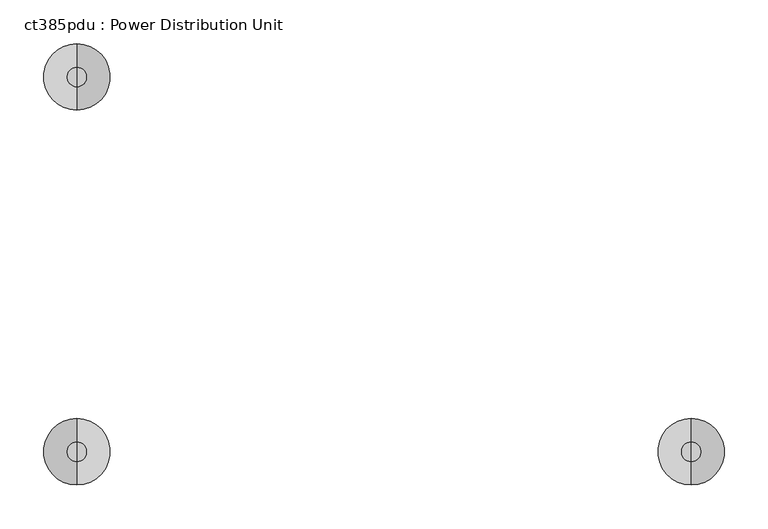
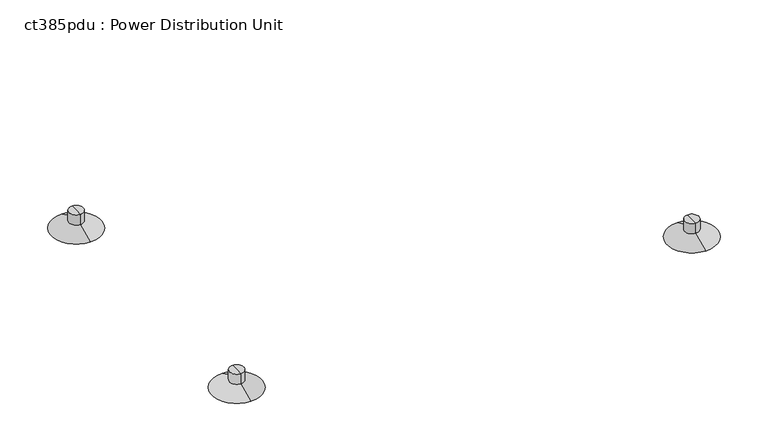
"""IFC4 building model written with IfcOpenShell, lengths in millimetres: proxy geometry, ct385pdu : Power Distribution Unit."""

from ifc_helpers import new_model, si_unit, frame, origin, place, context, project, spatial, polyline, circle_curve, source, transform, mapped, element, save
from ifc_brep_helpers import plane_surface, cylinder_surface, revolved_surface, advanced_brep


def ct385pdu_power_distribution_unit_bc988c1e(model_context):
    return source(origin(), model_context, "Body", "AdvancedBrep", [
        advanced_brep(
        [(745.5569365, -772.4014458, 29.0798949), (745.5569365, -783.4466317, 29.0798949), (745.5569365, -761.3562599, 29.0798949), (745.5569365, -783.4466317, 12.6661982), (745.5569365, -761.3562599, 12.6661982), (745.5569365, -810.2531246, 0.1661253), (745.5569365, -734.549767, 0.1661253), (745.5569365, -772.4014458, 0.1661253)],
        [
            (0, 1),
            (1, 2, circle_curve(frame((745.5569365, -772.4014458, 29.0798949), z_axis=(0.0, 0.0, 1.0), x_axis=(0.0, -1.0, 0.0)), 11.0451859)),
            (2, 0),
            (2, 1, circle_curve(frame((745.5569365, -772.4014458, 29.0798949), z_axis=(0.0, 0.0, 1.0), x_axis=(0.0, -1.0, 0.0)), 11.0451859)),
            (1, 3),
            (3, 4, circle_curve(frame((745.5569365, -772.4014458, 12.6661982), z_axis=(0.0, 0.0, 1.0), x_axis=(0.0, -1.0, 0.0)), 11.0451859)),
            (4, 2),
            (4, 3, circle_curve(frame((745.5569365, -772.4014458, 12.6661982), z_axis=(0.0, 0.0, 1.0), x_axis=(0.0, -1.0, 0.0)), 11.0451859)),
            (3, 5),
            (5, 6, circle_curve(frame((745.5569365, -772.4014458, 0.1661253), z_axis=(0.0, 0.0, 1.0), x_axis=(0.0, -1.0, 0.0)), 37.8516788)),
            (6, 4),
            (6, 5, circle_curve(frame((745.5569365, -772.4014458, 0.1661253), z_axis=(0.0, 0.0, 1.0), x_axis=(0.0, -1.0, 0.0)), 37.8516788)),
            (5, 7),
            (7, 6),
        ],
        [
            plane_surface(frame((745.5569365, -772.4014458, 29.0798949), z_axis=(0.0, 0.0, 1.0), x_axis=(0.0, -1.0, 0.0))),
            cylinder_surface(frame((745.5569365, -772.4014458, 29.0798949), z_axis=(0.0, 0.0, 1.0), x_axis=(0.0, -1.0, 0.0)), 11.0451859),
            revolved_surface(polyline([(745.5569365, -810.2531246, 0.1661253), (745.5569365, -783.4466317, 12.6661982)]), (745.5569365, -772.4014458, 29.0798949), (0.0, 0.0, 1.0)),
            plane_surface(frame((745.5569365, -772.4014458, 0.1661253), z_axis=(0.0, 0.0, -1.0), x_axis=(0.0, -1.0, 0.0))),
        ],
        [
            (0, [[1, 2, 3]]),
            (0, [[-3, 4, -1]]),
            (1, [[-2, 5, 6, 7]]),
            (1, [[-4, -7, 8, -5]]),
            (2, [[-6, 9, 10, 11]]),
            (2, [[-8, -11, 12, -9]]),
            (3, [[-10, 13, 14]]),
            (3, [[-12, -14, -13]]),
        ],
    ),
        advanced_brep(
        [(44.9449241, -344.5451811, 29.0798949), (44.9449241, -333.4999952, 29.0798949), (44.9449241, -355.590367, 29.0798949), (44.9449241, -333.4999952, 12.6661982), (44.9449241, -355.590367, 12.6661982), (44.9449241, -306.6935023, 0.1661253), (44.9449241, -382.3968599, 0.1661253), (44.9449241, -344.5451811, 0.1661253)],
        [
            (0, 1),
            (1, 2, circle_curve(frame((44.9449241, -344.5451811, 29.0798949), z_axis=(0.0, 0.0, 1.0), x_axis=(0.0, 1.0, 0.0)), 11.0451859)),
            (2, 0),
            (2, 1, circle_curve(frame((44.9449241, -344.5451811, 29.0798949), z_axis=(0.0, 0.0, 1.0), x_axis=(0.0, 1.0, 0.0)), 11.0451859)),
            (1, 3),
            (3, 4, circle_curve(frame((44.9449241, -344.5451811, 12.6661982), z_axis=(0.0, 0.0, 1.0), x_axis=(0.0, 1.0, 0.0)), 11.0451859)),
            (4, 2),
            (4, 3, circle_curve(frame((44.9449241, -344.5451811, 12.6661982), z_axis=(0.0, 0.0, 1.0), x_axis=(0.0, 1.0, 0.0)), 11.0451859)),
            (3, 5),
            (5, 6, circle_curve(frame((44.9449241, -344.5451811, 0.1661253), z_axis=(0.0, 0.0, 1.0), x_axis=(0.0, 1.0, 0.0)), 37.8516788)),
            (6, 4),
            (6, 5, circle_curve(frame((44.9449241, -344.5451811, 0.1661253), z_axis=(0.0, 0.0, 1.0), x_axis=(0.0, 1.0, 0.0)), 37.8516788)),
            (5, 7),
            (7, 6),
        ],
        [
            plane_surface(frame((44.9449241, -344.5451811, 29.0798949), z_axis=(0.0, 0.0, 1.0), x_axis=(0.0, 1.0, 0.0))),
            cylinder_surface(frame((44.9449241, -344.5451811, 29.0798949), z_axis=(0.0, 0.0, 1.0), x_axis=(0.0, 1.0, 0.0)), 11.0451859),
            revolved_surface(polyline([(44.9449241, -306.6935023, 0.1661253), (44.9449241, -333.4999952, 12.6661982)]), (44.9449241, -344.5451811, 29.0798949), (0.0, 0.0, 1.0)),
            plane_surface(frame((44.9449241, -344.5451811, 0.1661253), z_axis=(0.0, 0.0, -1.0), x_axis=(0.0, 1.0, 0.0))),
        ],
        [
            (0, [[1, 2, 3]]),
            (0, [[-3, 4, -1]]),
            (1, [[-2, 5, 6, 7]]),
            (1, [[-4, -7, 8, -5]]),
            (2, [[-6, 9, 10, 11]]),
            (2, [[-8, -11, 12, -9]]),
            (3, [[-10, 13, 14]]),
            (3, [[-12, -14, -13]]),
        ],
    ),
        advanced_brep(
        [(44.9449241, -761.3562599, 29.0798949), (44.9449241, -783.4466317, 29.0798949), (44.9449241, -772.4014458, 29.0798949), (44.9449241, -761.3562599, 12.6661982), (44.9449241, -783.4466317, 12.6661982), (44.9449241, -734.549767, 0.1661253), (44.9449241, -810.2531246, 0.1661253), (44.9449241, -772.4014458, 0.1661253)],
        [
            (0, 1, circle_curve(frame((44.9449241, -772.4014458, 29.0798949), z_axis=(0.0, 0.0, 1.0), x_axis=(0.0, -1.0, 0.0)), 11.0451859)),
            (1, 2),
            (2, 0),
            (1, 0, circle_curve(frame((44.9449241, -772.4014458, 29.0798949), z_axis=(0.0, 0.0, 1.0), x_axis=(0.0, -1.0, 0.0)), 11.0451859)),
            (3, 4, circle_curve(frame((44.9449241, -772.4014458, 12.6661982), z_axis=(0.0, 0.0, 1.0), x_axis=(0.0, -1.0, 0.0)), 11.0451859)),
            (4, 1),
            (0, 3),
            (4, 3, circle_curve(frame((44.9449241, -772.4014458, 12.6661982), z_axis=(0.0, 0.0, 1.0), x_axis=(0.0, -1.0, 0.0)), 11.0451859)),
            (5, 6, circle_curve(frame((44.9449241, -772.4014458, 0.1661253), z_axis=(0.0, 0.0, 1.0), x_axis=(0.0, -1.0, 0.0)), 37.8516788)),
            (6, 4),
            (3, 5),
            (6, 5, circle_curve(frame((44.9449241, -772.4014458, 0.1661253), z_axis=(0.0, 0.0, 1.0), x_axis=(0.0, -1.0, 0.0)), 37.8516788)),
            (7, 6),
            (5, 7),
        ],
        [
            plane_surface(frame((44.9449241, -772.4014458, 29.0798949), z_axis=(0.0, 0.0, 1.0), x_axis=(0.0, -1.0, 0.0))),
            cylinder_surface(frame((44.9449241, -772.4014458, 29.0798949), z_axis=(0.0, 0.0, -1.0), x_axis=(0.0, -1.0, 0.0)), 11.0451859),
            revolved_surface(polyline([(44.9449241, -783.4466317, 12.6661982), (44.9449241, -810.2531246, 0.1661253)]), (44.9449241, -772.4014458, 29.0798949), (0.0, 0.0, -1.0)),
            plane_surface(frame((44.9449241, -772.4014458, 0.1661253), z_axis=(0.0, 0.0, -1.0), x_axis=(0.0, -1.0, 0.0))),
        ],
        [
            (0, [[1, 2, 3]]),
            (0, [[4, -3, -2]]),
            (1, [[5, 6, -1, 7]]),
            (1, [[8, -7, -4, -6]]),
            (2, [[9, 10, -5, 11]]),
            (2, [[12, -11, -8, -10]]),
            (3, [[13, -9, 14]]),
            (3, [[-14, -12, -13]]),
        ],
    ),
    ])


if __name__ == "__main__":
    model = new_model("IFC4")
    model_context = context("Model", 3, world=origin())
    ifc_project = project(units=[si_unit("LENGTHUNIT", "METRE", prefix="MILLI")], contexts=[model_context])
    site = spatial("IfcSite", under=ifc_project)
    building = spatial("IfcBuilding", under=site)
    placement = place(None, origin())
    ct385pdu_power_distribution_unit_shape = ct385pdu_power_distribution_unit_bc988c1e(model_context)
    element("IfcBuildingElementProxy", 1, Name="ct385pdu : Power Distribution Unit", ObjectType="ct385pdu : Power Distribution Unit", at=placement, inside=building, context=model_context, shape_type="MappedRepresentation", body=[
        mapped(ct385pdu_power_distribution_unit_shape, transform((0.0, 0.0, 0.0), x_axis=(1.0, 0.0, 0.0), y_axis=(0.0, 1.0, 0.0), z_axis=(0.0, 0.0, 1.0))),
    ])
    save(model, "model.ifc")
